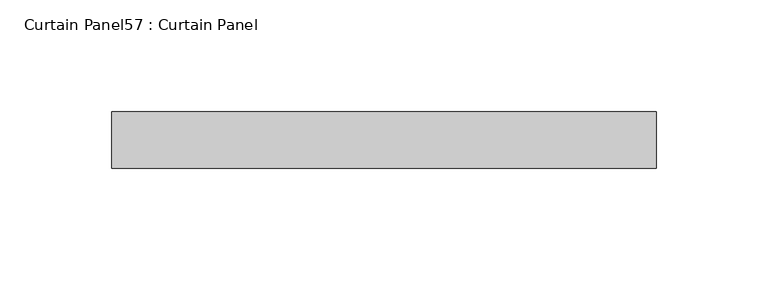
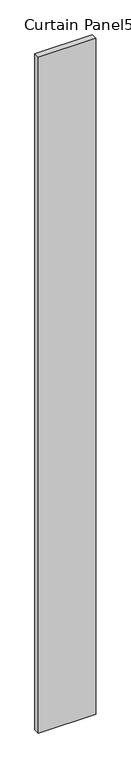
"""IFC4 building model written with IfcOpenShell, lengths in millimetres: plate geometry, Curtain Panel57 : Curtain Panel."""

from ifc_helpers import new_model, si_unit, origin, origin_with_axes, place, context, project, spatial, polyline, outline, extrude, source, transform, mapped, element, save


def curtain_panel57_curtain_panel_a5ab50c6(model_context):
    return source(origin(), model_context, "Body", "SweptSolid", [
        extrude(outline(polyline([(-342034.8279246, 3427.8983674), (-342279.0859364, 3427.8983674), (-342279.0859364, 3453.2983674), (-342034.8279246, 3453.2983674), (-342034.8279246, 3427.8983674)])), origin_with_axes(), (0.0, 0.0, 1.0), 3048.0),
    ])


if __name__ == "__main__":
    model = new_model("IFC4")
    model_context = context("Model", 3, world=origin())
    ifc_project = project(units=[si_unit("LENGTHUNIT", "METRE", prefix="MILLI")], contexts=[model_context])
    site = spatial("IfcSite", under=ifc_project)
    building = spatial("IfcBuilding", under=site)
    placement = place(None, origin())
    curtain_panel57_curtain_panel_shape = curtain_panel57_curtain_panel_a5ab50c6(model_context)
    element("IfcPlate", 1, ObjectType="Curtain Panel57 : Curtain Panel", at=placement, inside=building, context=model_context, shape_type="MappedRepresentation", body=[
        mapped(curtain_panel57_curtain_panel_shape, transform((0.0, 0.0, 0.0), x_axis=(1.0, 0.0, 0.0), y_axis=(0.0, 1.0, 0.0), z_axis=(0.0, 0.0, 1.0))),
    ])
    save(model, "model.ifc")
